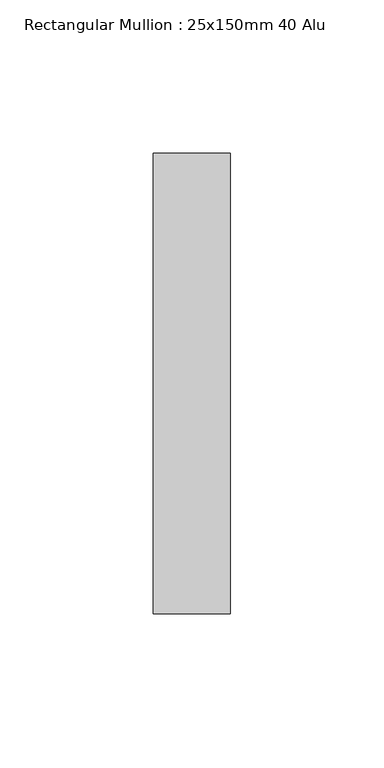
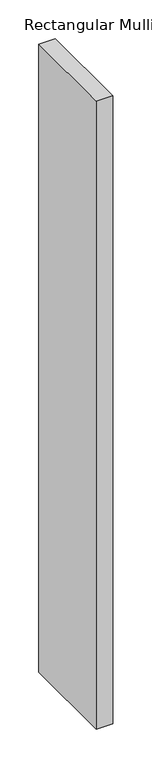
"""IFC4 building model written with IfcOpenShell, lengths in millimetres: member geometry, Rectangular Mullion : 25x150mm 40 Alu."""

from ifc_helpers import new_model, si_unit, frame, origin, place, context, project, spatial, polyline, outline, extrude, source, transform, mapped, element, save


def rectangular_mullion_25x150mm_40_alu_7124537b(model_context):
    return source(origin(), model_context, "Body", "SweptSolid", [
        extrude(outline(polyline([(0.0, 35.0), (0.0, -115.0), (-25.0, -115.0), (-25.0, 35.0), (0.0, 35.0)])), frame((0.0, 0.0, -995.0), z_axis=(0.0, 0.0, 1.0), x_axis=(1.0, 0.0, 0.0)), (0.0, 0.0, 1.0), 995.0),
    ])


if __name__ == "__main__":
    model = new_model("IFC4")
    model_context = context("Model", 3, world=origin())
    ifc_project = project(units=[si_unit("LENGTHUNIT", "METRE", prefix="MILLI")], contexts=[model_context])
    site = spatial("IfcSite", under=ifc_project)
    building = spatial("IfcBuilding", under=site)
    placement = place(None, origin())
    rectangular_mullion_25x150mm_40_alu_shape = rectangular_mullion_25x150mm_40_alu_7124537b(model_context)
    element("IfcMember", 1, ObjectType="Rectangular Mullion : 25x150mm 40 Alu", at=placement, inside=building, context=model_context, shape_type="MappedRepresentation", body=[
        mapped(rectangular_mullion_25x150mm_40_alu_shape, transform((0.0, 0.0, 0.0), x_axis=(1.0, 0.0, 0.0), y_axis=(0.0, 1.0, 0.0), z_axis=(0.0, 0.0, 1.0))),
    ])
    save(model, "model.ifc")
